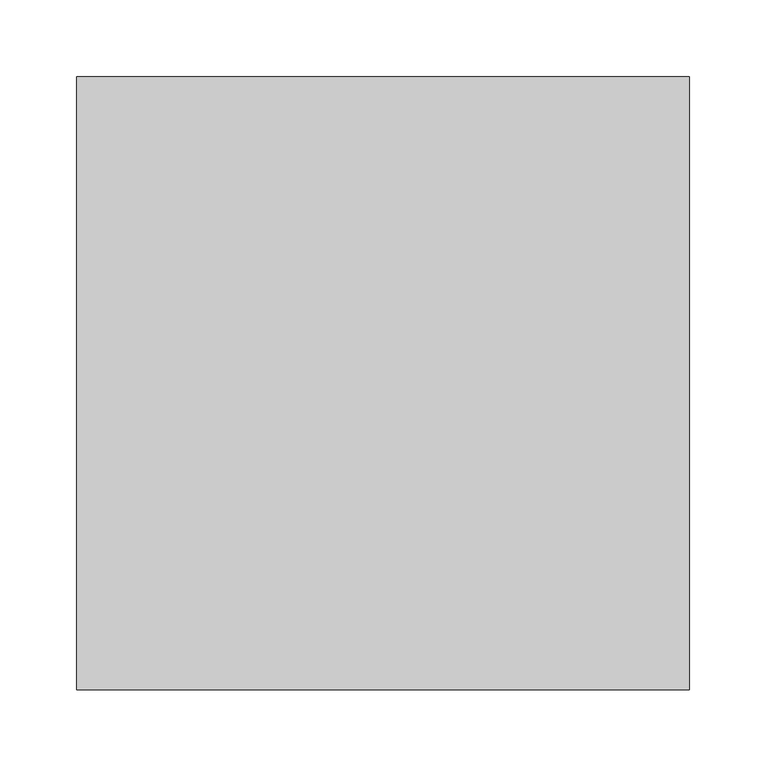
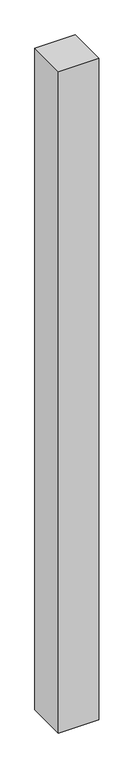
"""IFC4 building model written with IfcOpenShell, lengths in millimetres: column geometry."""

from ifc_helpers import new_model, si_unit, frame, origin, place, context, project, spatial, polyline, outline, extrude, source, transform, mapped, element, save


def column_3cdd4e65(model_context):
    return source(origin(), model_context, "Body", "SweptSolid", [
        extrude(outline(polyline([(200.0, 200.0), (200.0, -200.0), (-200.0, -200.0), (-200.0, 200.0), (200.0, 200.0)])), frame((0.0, 0.0, -3300.0), z_axis=(0.0, 0.0, 1.0), x_axis=(1.0, 0.0, 0.0)), (0.0, 0.0, 1.0), 6900.0),
    ])


if __name__ == "__main__":
    model = new_model("IFC4")
    model_context = context("Model", 3, world=origin())
    ifc_project = project(units=[si_unit("LENGTHUNIT", "METRE", prefix="MILLI")], contexts=[model_context])
    site = spatial("IfcSite", under=ifc_project)
    building = spatial("IfcBuilding", under=site)
    placement = place(None, origin())
    column_shape = column_3cdd4e65(model_context)
    element("IfcColumn", 1, at=placement, inside=building, context=model_context, shape_type="MappedRepresentation", body=[
        mapped(column_shape, transform((0.0, 0.0, 0.0), x_axis=(1.0, 0.0, 0.0), y_axis=(0.0, 1.0, 0.0), z_axis=(0.0, 0.0, 1.0))),
    ])
    save(model, "model.ifc")
